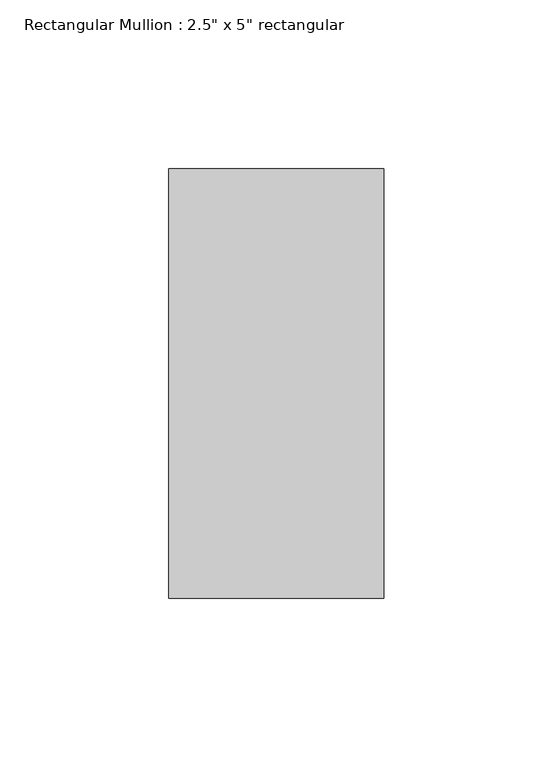
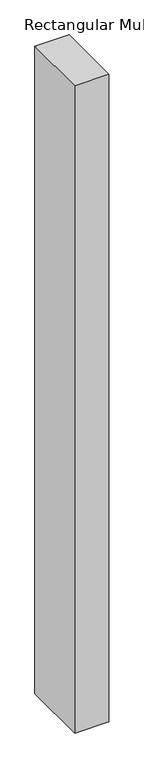
"""IFC4 building model written with IfcOpenShell, lengths in millimetres: member geometry."""

from ifc_helpers import new_model, si_unit, frame, origin, place, context, project, spatial, polyline, outline, extrude, source, transform, mapped, element, save


def member_f5b2bbaa(model_context):
    return source(origin(), model_context, "Body", "SweptSolid", [
        extrude(outline(polyline([(0.0, 63.5), (0.0, -63.5), (-63.5, -63.5), (-63.5, 63.5), (0.0, 63.5)])), frame((0.0, 0.0, -1266.859593), z_axis=(0.0, 0.0, 1.0), x_axis=(1.0, 0.0, 0.0)), (0.0, 0.0, 1.0), 1266.859593),
    ])


if __name__ == "__main__":
    model = new_model("IFC4")
    model_context = context("Model", 3, world=origin())
    ifc_project = project(units=[si_unit("LENGTHUNIT", "METRE", prefix="MILLI")], contexts=[model_context])
    site = spatial("IfcSite", under=ifc_project)
    building = spatial("IfcBuilding", under=site)
    placement = place(None, origin())
    member_shape = member_f5b2bbaa(model_context)
    element("IfcMember", 1, ObjectType="Rectangular Mullion : 2.5\" x 5\" rectangular", at=placement, inside=building, context=model_context, shape_type="MappedRepresentation", body=[
        mapped(member_shape, transform((0.0, 0.0, 0.0), x_axis=(1.0, 0.0, 0.0), y_axis=(0.0, 1.0, 0.0), z_axis=(0.0, 0.0, 1.0))),
    ])
    save(model, "model.ifc")
